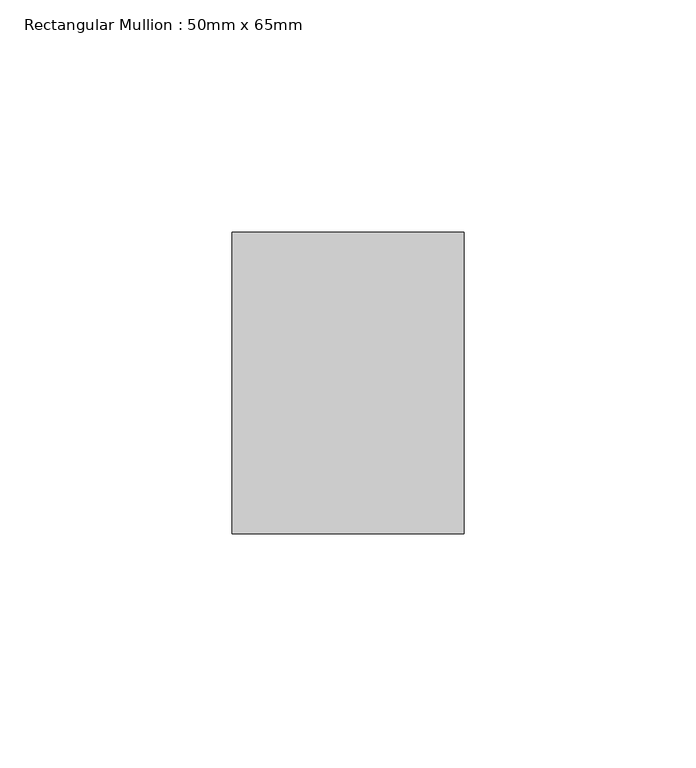
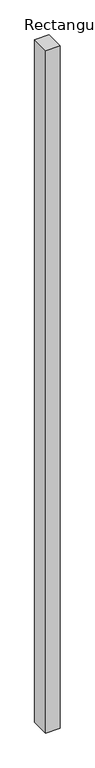
"""IFC4 building model written with IfcOpenShell, lengths in millimetres: member geometry, Rectangular Mullion : 50mm x 65mm."""

from ifc_helpers import new_model, si_unit, frame, origin, place, context, project, spatial, polyline, outline, extrude, source, transform, mapped, element, save


def rectangular_mullion_50mm_x_65mm_57c78ecd(model_context):
    return source(origin(), model_context, "Body", "SweptSolid", [
        extrude(outline(polyline([(25.0, 32.5), (25.0, -32.5), (-25.0, -32.5), (-25.0, 32.5), (25.0, 32.5)])), frame((0.0, 0.0, -2478.0265245), z_axis=(0.0, 0.0, 1.0), x_axis=(1.0, 0.0, 0.0)), (0.0, 0.0, 1.0), 2478.0265245),
    ])


if __name__ == "__main__":
    model = new_model("IFC4")
    model_context = context("Model", 3, world=origin())
    ifc_project = project(units=[si_unit("LENGTHUNIT", "METRE", prefix="MILLI")], contexts=[model_context])
    site = spatial("IfcSite", under=ifc_project)
    building = spatial("IfcBuilding", under=site)
    placement = place(None, origin())
    rectangular_mullion_50mm_x_65mm_shape = rectangular_mullion_50mm_x_65mm_57c78ecd(model_context)
    element("IfcMember", 1, ObjectType="Rectangular Mullion : 50mm x 65mm", at=placement, inside=building, context=model_context, shape_type="MappedRepresentation", body=[
        mapped(rectangular_mullion_50mm_x_65mm_shape, transform((0.0, 0.0, 0.0), x_axis=(1.0, 0.0, 0.0), y_axis=(0.0, 1.0, 0.0), z_axis=(0.0, 0.0, 1.0))),
    ])
    save(model, "model.ifc")
